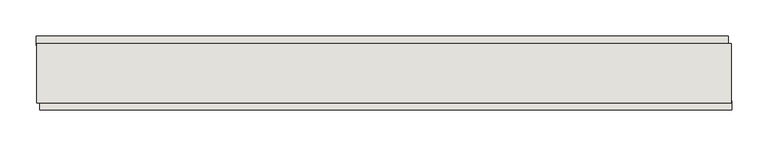
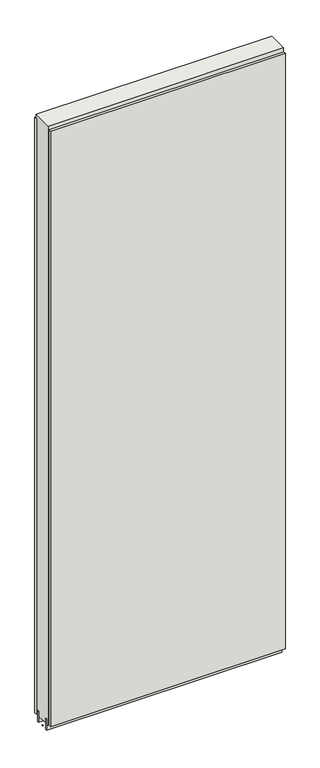
"""IFC4 building model written with IfcOpenShell, lengths in millimetres: wall geometry."""

from ifc_helpers import new_model, si_unit, frame, origin, place, context, project, spatial, polyline, outline, extrude, source, transform, mapped, element, save


def wall_407cb119(model_context):
    return source(origin(), model_context, "Body", "SweptSolid", [
        extrude(outline(polyline([(74293.7895376, -39417.0036398), (74291.2495376, -39417.0036398), (74291.2495376, -39414.4636398), (74293.7895376, -39414.4636398), (74293.7895376, -39417.0036398)])), frame((0.0, 0.0, 4419.6), z_axis=(0.0, 0.0, 1.0), x_axis=(1.0, 0.0, 0.0)), (0.0, 0.0, 1.0), 2.54),
        extrude(outline(polyline([(74290.7835365, -39364.9336398), (75240.5171463, -39364.9336398), (75240.5171463, -39377.6336398), (74290.7835365, -39377.6336398), (74290.7835365, -39364.9336398)])), frame((0.0, 0.0, 4445.0), z_axis=(0.0, 0.0, 1.0), x_axis=(1.0, 0.0, 0.0)), (0.0, 0.0, 1.0), 2545.0498756),
        extrude(outline(polyline([(75245.4470831, -39466.5336398), (74295.7134733, -39466.5336398), (74295.7134733, -39453.8336398), (75245.4470831, -39453.8336398), (75245.4470831, -39466.5336398)])), frame((0.0, 0.0, 4445.0), z_axis=(0.0, 0.0, 1.0), x_axis=(1.0, 0.0, 0.0)), (0.0, 0.0, 1.0), 2545.0498756),
        extrude(outline(polyline([(75244.9823266, -39390.6498952), (74291.2420954, -39390.6498952), (74291.2420954, -39385.5711398), (75244.9823266, -39385.5711398), (75244.9823266, -39390.6498952)])), frame((0.0, 0.0, 4418.6602), z_axis=(0.0, 0.0, 1.0), x_axis=(1.0, 0.0, 0.0)), (0.0, 0.0, 1.0), 47.625),
        extrude(outline(polyline([(75244.9823266, -39390.6498952), (74291.2420954, -39390.6498952), (74291.2420954, -39385.5711398), (75244.9823266, -39385.5711398), (75244.9823266, -39390.6498952)])), frame((0.0, 0.0, 4418.6602), z_axis=(0.0, 0.0, 1.0), x_axis=(1.0, 0.0, 0.0)), (0.0, 0.0, 1.0), 47.625),
        extrude(outline(polyline([(74291.2420954, -39440.8142856), (75244.9823266, -39440.8142856), (75244.9823266, -39445.8961398), (74291.2420954, -39445.8961398), (74291.2420954, -39440.8142856)])), frame((0.0, 0.0, 4418.6602), z_axis=(0.0, 0.0, 1.0), x_axis=(1.0, 0.0, 0.0)), (0.0, 0.0, 1.0), 47.625),
        extrude(outline(polyline([(74291.2420954, -39440.8142856), (75244.9823266, -39440.8142856), (75244.9823266, -39445.8961398), (74291.2420954, -39445.8961398), (74291.2420954, -39440.8142856)])), frame((0.0, 0.0, 4418.6602), z_axis=(0.0, 0.0, 1.0), x_axis=(1.0, 0.0, 0.0)), (0.0, 0.0, 1.0), 47.625),
        extrude(outline(polyline([(75244.9823266, -39375.10667), (75244.9823266, -39456.3854254), (74291.2420954, -39456.3854254), (74291.2420954, -39375.10667), (75244.9823266, -39375.10667)])), frame((0.0, 0.0, 4445.0), z_axis=(0.0, 0.0, 1.0), x_axis=(1.0, 0.0, 0.0)), (0.0, 0.0, 1.0), 2562.4536762),
    ])


if __name__ == "__main__":
    model = new_model("IFC4")
    model_context = context("Model", 3, world=origin())
    ifc_project = project(units=[si_unit("LENGTHUNIT", "METRE", prefix="MILLI")], contexts=[model_context])
    site = spatial("IfcSite", under=ifc_project)
    building = spatial("IfcBuilding", under=site)
    placement = place(None, origin())
    wall_shape = wall_407cb119(model_context)
    element("IfcWall", 1, at=placement, inside=building, context=model_context, shape_type="MappedRepresentation", body=[
        mapped(wall_shape, transform((0.0, 0.0, 0.0), x_axis=(1.0, 0.0, 0.0), y_axis=(0.0, 1.0, 0.0), z_axis=(0.0, 0.0, 1.0))),
    ])
    save(model, "model.ifc")
